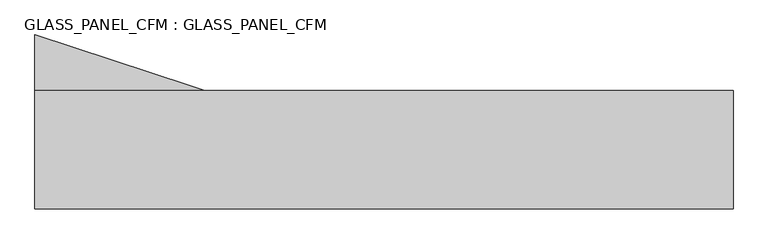
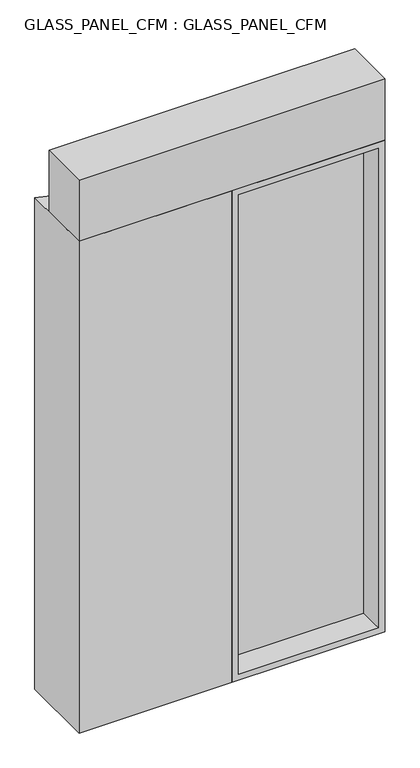
"""IFC4 building model written with IfcOpenShell, lengths in millimetres: plate geometry, GLASS_PANEL_CFM : GLASS_PANEL_CFM."""

from ifc_helpers import new_model, si_unit, frame, origin, origin_with_axes, place, context, project, spatial, polyline, outline, extrude, source, transform, mapped, element, save


def glass_panel_cfm_glass_panel_cfm_78a1a26c(model_context):
    return source(origin(), model_context, "Body", "SweptSolid", [
        extrude(outline(polyline([(1128.5874727, 195.0), (50.0, 195.0), (50.0, 205.0), (1128.5874727, 205.0), (1128.5874727, 195.0)])), frame((0.0, 0.0, 50.0), z_axis=(0.0, 0.0, 1.0), x_axis=(1.0, 0.0, 0.0)), (0.0, 0.0, 1.0), 3900.8674713),
        extrude(outline(polyline([(4000.8674713, 0.0), (0.0, 0.0), (0.0, 1178.5874727), (4000.8674713, 1178.5874727), (4000.8674713, 0.0)]), holes=[polyline([(3950.8674713, 50.0), (3950.8674713, 1128.5874727), (50.0, 1128.5874727), (50.0, 50.0), (3950.8674713, 50.0)])]), frame((0.0, 0.0, 0.0), z_axis=(0.0, 1.0, 0.0), x_axis=(0.0, 0.0, 1.0)), (0.0, 0.0, 1.0), 400.0),
        extrude(outline(polyline([(-1178.5874727, 0.0), (-1178.5874727, 587.9475111), (0.0, 200.0), (0.0, 0.0), (-1178.5874727, 0.0)])), origin_with_axes(), (0.0, 0.0, 1.0), 4000.8674713),
        extrude(outline(polyline([(1178.5874727, 400.0), (1178.5874727, 0.0), (-1178.5874727, 0.0), (-1178.5874727, 400.0), (1178.5874727, 400.0)])), frame((0.0, 0.0, 4000.8674713), z_axis=(0.0, 0.0, 1.0), x_axis=(1.0, 0.0, 0.0)), (0.0, 0.0, 1.0), 499.1325287),
    ])


if __name__ == "__main__":
    model = new_model("IFC4")
    model_context = context("Model", 3, world=origin())
    ifc_project = project(units=[si_unit("LENGTHUNIT", "METRE", prefix="MILLI")], contexts=[model_context])
    site = spatial("IfcSite", under=ifc_project)
    building = spatial("IfcBuilding", under=site)
    placement = place(None, origin())
    glass_panel_cfm_glass_panel_cfm_shape = glass_panel_cfm_glass_panel_cfm_78a1a26c(model_context)
    element("IfcPlate", 1, ObjectType="GLASS_PANEL_CFM : GLASS_PANEL_CFM", at=placement, inside=building, context=model_context, shape_type="MappedRepresentation", body=[
        mapped(glass_panel_cfm_glass_panel_cfm_shape, transform((0.0, 0.0, 0.0), x_axis=(1.0, 0.0, 0.0), y_axis=(0.0, 1.0, 0.0), z_axis=(0.0, 0.0, 1.0))),
    ])
    save(model, "model.ifc")
